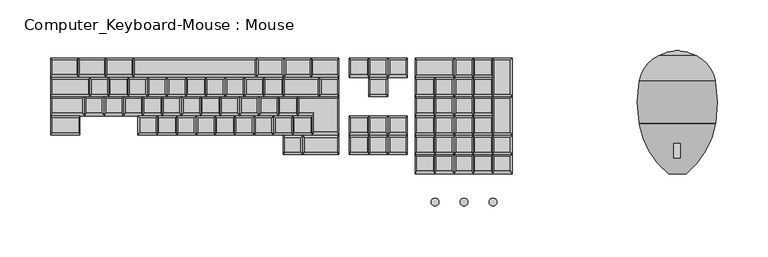
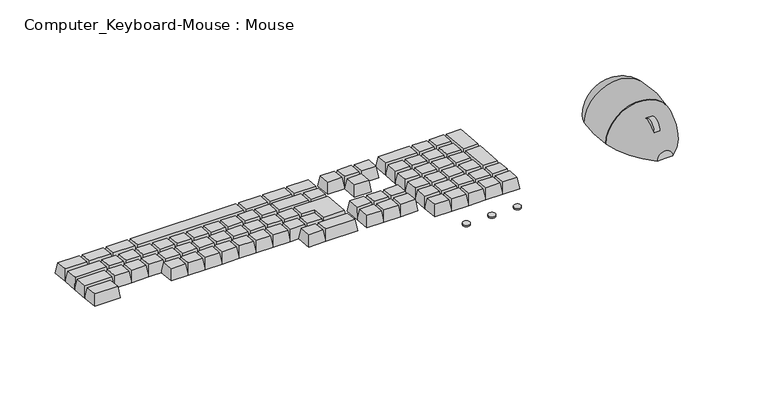
"""IFC4 building model written with IfcOpenShell, lengths in millimetres: proxy geometry, Computer_Keyboard-Mouse : Mouse."""

from ifc_helpers import new_model, si_unit, point, frame, frame_2d, origin, place, context, project, spatial, circle_curve, ellipse_curve, trimmed, segment, composite_curve, outline, extrude, faceted_brep, source, transform, mapped, element, save
from ifc_brep_helpers import plane_surface, cylinder_surface, revolved_surface, advanced_brep


def computer_keyboard_mouse_mouse_dbb45f80(model_context):
    return source(origin(), model_context, "Body", "SolidModel", [
        extrude(outline(composite_curve([segment(trimmed(circle_curve(frame_2d((212.4988718, 644.6717613)), 9.8184506), [point((202.6804212, 644.6717613))], [point((222.3173224, 644.6717613))], False, "CARTESIAN"), True, "CONTINUOUS"), segment(trimmed(circle_curve(frame_2d((212.4988718, 644.6717613)), 9.8184506), [point((222.3173224, 644.6717613))], [point((202.6804212, 644.6717613))], False, "CARTESIAN"), True, "CONTINUOUS")], self_intersect=False)), frame((272.25625, 0.0, 0.0), z_axis=(1.0, 0.0, 0.0), x_axis=(0.0, 1.0, 0.0)), (0.0, 0.0, 1.0), 6.35),
        advanced_brep(
        [(275.5976834, 187.126648, 622.3), (275.5976834, 308.6694444, 622.3), (293.9985704, 303.7389416, 622.3), (313.0285853, 278.5926629, 622.3), (313.1647909, 237.2808115, 622.3), (312.213601, 237.2808115, 622.3), (312.213601, 236.4708218, 622.3), (313.0285853, 236.4708218, 622.3), (284.2623719, 187.126648, 622.3), (266.9329949, 187.126648, 622.3), (238.1667815, 236.4708218, 622.3), (238.9817658, 236.4708218, 622.3), (238.9817658, 237.2808115, 622.3), (238.0305758, 237.2808115, 622.3), (238.1667815, 278.5926629, 622.3), (257.1967964, 303.7389416, 622.3)],
        [
            (0, 1),
            (1, 2, circle_curve(frame((271.496074, 256.5602558, 622.3), z_axis=(0.0, 0.0, -1.0), x_axis=(1.0, 0.0, 0.0)), 52.2703619)),
            (2, 3, circle_curve(frame((279.2400514, 272.7962623, 622.3), z_axis=(0.0, 0.0, -1.0), x_axis=(1.0, 0.0, 0.0)), 34.2821132)),
            (3, 4, circle_curve(frame((190.2597029, 257.5317424, 622.3), z_axis=(0.0, 0.0, -1.0), x_axis=(1.0, 0.0, 0.0)), 124.562277)),
            (4, 5),
            (5, 6),
            (6, 7),
            (7, 8, circle_curve(frame((232.6802808, 250.2545203, 622.3), z_axis=(0.0, 0.0, -1.0), x_axis=(1.0, 0.0, 0.0)), 81.5220239)),
            (8, 0),
            (0, 9),
            (9, 10, circle_curve(frame((318.515086, 250.2545203, 622.3), z_axis=(0.0, 0.0, -1.0), x_axis=(-1.0, 0.0, 0.0)), 81.5220239)),
            (10, 11),
            (11, 12),
            (12, 13),
            (13, 14, circle_curve(frame((360.9356639, 257.5317424, 622.3), z_axis=(0.0, 0.0, -1.0), x_axis=(-1.0, 0.0, 0.0)), 124.562277)),
            (14, 15, circle_curve(frame((271.9553154, 272.7962623, 622.3), z_axis=(0.0, 0.0, -1.0), x_axis=(-1.0, 0.0, 0.0)), 34.2821132)),
            (15, 1, circle_curve(frame((279.6992928, 256.5602558, 622.3), z_axis=(0.0, 0.0, -1.0), x_axis=(-1.0, 0.0, 0.0)), 52.2703619)),
            (8, 9, circle_curve(frame((275.5976834, 187.126648, 622.3), z_axis=(0.0, -1.0, 0.0), x_axis=(1.0, 0.0, 0.0)), 8.6646885)),
            (7, 10, circle_curve(frame((275.5976834, 236.4708218, 622.3), z_axis=(0.0, -1.0, 0.0), x_axis=(1.0, 0.0, 0.0)), 37.4309019)),
            (6, 11, circle_curve(frame((275.5976834, 236.4708218, 622.3), z_axis=(0.0, -1.0, 0.0), x_axis=(1.0, 0.0, 0.0)), 36.6159176)),
            (5, 12, circle_curve(frame((275.5976834, 237.2808115, 622.3), z_axis=(0.0, -1.0, 0.0), x_axis=(1.0, 0.0, 0.0)), 36.6159176)),
            (4, 13, circle_curve(frame((275.5976834, 237.2808115, 622.3), z_axis=(0.0, -1.0, 0.0), x_axis=(1.0, 0.0, 0.0)), 37.5671075)),
            (3, 14, circle_curve(frame((275.5976834, 278.5926629, 622.3), z_axis=(0.0, -1.0, 0.0), x_axis=(1.0, 0.0, 0.0)), 37.4309019)),
            (2, 15, circle_curve(frame((275.5976834, 303.7389416, 622.3), z_axis=(0.0, -1.0, 0.0), x_axis=(1.0, 0.0, 0.0)), 18.400887)),
        ],
        [
            plane_surface(frame((275.5976834, 187.126648, 622.3), z_axis=(0.0, 0.0, -1.0), x_axis=(1.0, 0.0, 0.0))),
            plane_surface(frame((275.5976834, 187.126648, 622.3), z_axis=(0.0, 0.0, -1.0), x_axis=(-1.0, 0.0, 0.0))),
            plane_surface(frame((275.5976834, 187.126648, 622.3), z_axis=(0.0, -1.0, 0.0), x_axis=(1.0, 0.0, 0.0))),
            revolved_surface(trimmed(ellipse_curve(frame((232.6802808, 250.2545203, 622.3), z_axis=(0.0, 0.0, -1.0), x_axis=(1.0, 0.0, 0.0)), 81.5220239, 81.5220239), [point((313.0285853, 236.4708218, 622.3))], [point((284.2623719, 187.126648, 622.3))], True, "CARTESIAN"), (275.5976834, 187.126648, 622.3), (0.0, -1.0, 0.0)),
            plane_surface(frame((275.5976834, 236.4708218, 622.3), z_axis=(0.0, 1.0, 0.0), x_axis=(1.0, 0.0, 0.0))),
            cylinder_surface(frame((275.5976834, 187.126648, 622.3), z_axis=(0.0, -1.0, 0.0), x_axis=(1.0, 0.0, 0.0)), 36.6159176),
            plane_surface(frame((275.5976834, 237.2808115, 622.3), z_axis=(0.0, -1.0, 0.0), x_axis=(1.0, 0.0, 0.0))),
            revolved_surface(trimmed(ellipse_curve(frame((190.2597029, 257.5317424, 622.3), z_axis=(0.0, 0.0, -1.0), x_axis=(1.0, 0.0, 0.0)), 124.562277, 124.562277), [point((313.0285853, 278.5926629, 622.3))], [point((313.1647909, 237.2808115, 622.3))], True, "CARTESIAN"), (275.5976834, 187.126648, 622.3), (0.0, -1.0, 0.0)),
            revolved_surface(trimmed(ellipse_curve(frame((279.2400514, 272.7962623, 622.3), z_axis=(0.0, 0.0, -1.0), x_axis=(1.0, 0.0, 0.0)), 34.2821132, 34.2821132), [point((293.9985704, 303.7389416, 622.3))], [point((313.0285853, 278.5926629, 622.3))], True, "CARTESIAN"), (275.5976834, 187.126648, 622.3), (0.0, -1.0, 0.0)),
            revolved_surface(trimmed(ellipse_curve(frame((271.496074, 256.5602558, 622.3), z_axis=(0.0, 0.0, -1.0), x_axis=(1.0, 0.0, 0.0)), 52.2703619, 52.2703619), [point((275.5976834, 308.6694444, 622.3))], [point((293.9985704, 303.7389416, 622.3))], True, "CARTESIAN"), (275.5976834, 187.126648, 622.3), (0.0, -1.0, 0.0)),
        ],
        [
            (0, [[1, 2, 3, 4, 5, 6, 7, 8, 9]]),
            (1, [[-1, 10, 11, 12, 13, 14, 15, 16, 17]]),
            (2, [[-10, -9, 18]]),
            (3, [[-11, -18, -8, 19]]),
            (4, [[-12, -19, -7, 20]]),
            (5, [[-13, -20, -6, 21]]),
            (6, [[-14, -21, -5, 22]]),
            (7, [[-15, -22, -4, 23]]),
            (8, [[-16, -23, -3, 24]]),
            (9, [[-17, -24, -2]]),
        ],
    ),
        extrude(outline(composite_curve([segment(trimmed(circle_curve(frame_2d((37.1569804, 159.4975836)), 3.8756585), [point((33.2813219, 159.4975836))], [point((41.032639, 159.4975836))], False, "CARTESIAN"), True, "CONTINUOUS"), segment(trimmed(circle_curve(frame_2d((37.1569804, 159.4975836)), 3.8756585), [point((41.032639, 159.4975836))], [point((33.2813219, 159.4975836))], False, "CARTESIAN"), True, "CONTINUOUS")], self_intersect=False)), frame((0.0, 0.0, 644.4834713), z_axis=(0.0, 0.0, 1.0), x_axis=(1.0, 0.0, 0.0)), (0.0, 0.0, 1.0), 1.5875),
        extrude(outline(composite_curve([segment(trimmed(circle_curve(frame_2d((65.7319804, 159.4975836)), 3.8756585), [point((61.8563219, 159.4975836))], [point((69.607639, 159.4975836))], False, "CARTESIAN"), True, "CONTINUOUS"), segment(trimmed(circle_curve(frame_2d((65.7319804, 159.4975836)), 3.8756585), [point((69.607639, 159.4975836))], [point((61.8563219, 159.4975836))], False, "CARTESIAN"), True, "CONTINUOUS")], self_intersect=False)), frame((0.0, 0.0, 644.4834713), z_axis=(0.0, 0.0, 1.0), x_axis=(1.0, 0.0, 0.0)), (0.0, 0.0, 1.0), 1.5875),
        extrude(outline(composite_curve([segment(trimmed(circle_curve(frame_2d((94.3069804, 159.4975836)), 3.8756585), [point((90.4313219, 159.4975836))], [point((98.182639, 159.4975836))], False, "CARTESIAN"), True, "CONTINUOUS"), segment(trimmed(circle_curve(frame_2d((94.3069804, 159.4975836)), 3.8756585), [point((98.182639, 159.4975836))], [point((90.4313219, 159.4975836))], False, "CARTESIAN"), True, "CONTINUOUS")], self_intersect=False)), frame((0.0, 0.0, 644.4834713), z_axis=(0.0, 0.0, 1.0), x_axis=(1.0, 0.0, 0.0)), (0.0, 0.0, 1.0), 1.5875),
        faceted_brep([(-140.1341471, 284.9893587, 647.5012993), (-140.1341471, 299.2224904, 646.2560617), (-258.2572246, 299.2224904, 646.2560617), (-258.2572246, 284.9893587, 647.5012993), (-138.4529456, 282.3010217, 634.9879864), (-259.854517, 282.3010217, 634.9879864), (-259.854517, 301.2785307, 633.3276695), (-138.4529456, 301.2785307, 633.3276695)], [[[0, 1, 2, 3]], [[4, 5, 6, 7]], [[4, 0, 3, 5]], [[5, 3, 2, 6]], [[6, 2, 1, 7]], [[7, 1, 0, 4]]]),
        faceted_brep([(-261.442017, 284.9893587, 647.5012993), (-261.442017, 299.2224904, 646.2560617), (-285.254517, 299.2224904, 646.2560617), (-285.254517, 284.9893587, 647.5012993), (-259.854517, 282.3010217, 634.9879864), (-286.8518093, 282.3010217, 634.9879864), (-286.8518093, 301.2785307, 633.3276695), (-259.854517, 301.2785307, 633.3276695)], [[[0, 1, 2, 3]], [[4, 5, 6, 7]], [[4, 0, 3, 5]], [[5, 3, 2, 6]], [[6, 2, 1, 7]], [[7, 1, 0, 4]]]),
        faceted_brep([(-288.4393093, 284.9893587, 647.5012993), (-288.4393093, 299.2224904, 646.2560617), (-312.2518093, 299.2224904, 646.2560617), (-312.2518093, 284.9893587, 647.5012993), (-286.8518093, 282.3010217, 634.9879864), (-313.8491017, 282.3010217, 634.9879864), (-313.8491017, 301.2785307, 633.3276695), (-286.8518093, 301.2785307, 633.3276695)], [[[0, 1, 2, 3]], [[4, 5, 6, 7]], [[4, 0, 3, 5]], [[5, 3, 2, 6]], [[6, 2, 1, 7]], [[7, 1, 0, 4]]]),
        faceted_brep([(-315.4366017, 284.9893587, 647.5012993), (-315.4366017, 299.2224904, 646.2560617), (-339.2491017, 299.2224904, 646.2560617), (-339.2491017, 284.9893587, 647.5012993), (-313.8491017, 282.3010217, 634.9879864), (-340.8463941, 282.3010217, 634.9879864), (-340.8463941, 301.2785307, 633.3276695), (-313.8491017, 301.2785307, 633.3276695)], [[[0, 1, 2, 3]], [[4, 5, 6, 7]], [[4, 0, 3, 5]], [[5, 3, 2, 6]], [[6, 2, 1, 7]], [[7, 1, 0, 4]]]),
        faceted_brep([(-113.0597288, 284.9893587, 647.5012993), (-113.0597288, 299.2224904, 646.2560617), (-136.8722288, 299.2224904, 646.2560617), (-136.8722288, 284.9893587, 647.5012993), (-111.4722288, 282.3010217, 634.9879864), (-138.4695212, 282.3010217, 634.9879864), (-138.4695212, 301.2785307, 633.3276695), (-111.4722288, 301.2785307, 633.3276695)], [[[0, 1, 2, 3]], [[4, 5, 6, 7]], [[4, 0, 3, 5]], [[5, 3, 2, 6]], [[6, 2, 1, 7]], [[7, 1, 0, 4]]]),
        faceted_brep([(-86.0624365, 284.9893587, 647.5012993), (-86.0624365, 299.2224904, 646.2560617), (-109.8749365, 299.2224904, 646.2560617), (-109.8749365, 284.9893587, 647.5012993), (-84.4749365, 282.3010217, 634.9879864), (-111.4722288, 282.3010217, 634.9879864), (-111.4722288, 301.2785307, 633.3276695), (-84.4749365, 301.2785307, 633.3276695)], [[[0, 1, 2, 3]], [[4, 5, 6, 7]], [[4, 0, 3, 5]], [[5, 3, 2, 6]], [[6, 2, 1, 7]], [[7, 1, 0, 4]]]),
        faceted_brep([(-59.0651441, 284.9893587, 647.5012993), (-59.0651441, 299.2224904, 646.2560617), (-82.8776441, 299.2224904, 646.2560617), (-82.8776441, 284.9893587, 647.5012993), (-57.4776441, 282.3010217, 634.9879864), (-84.4749365, 282.3010217, 634.9879864), (-84.4749365, 301.2785307, 633.3276695), (-57.4776441, 301.2785307, 633.3276695)], [[[0, 1, 2, 3]], [[4, 5, 6, 7]], [[4, 0, 3, 5]], [[5, 3, 2, 6]], [[6, 2, 1, 7]], [[7, 1, 0, 4]]]),
        faceted_brep([(111.4464125, 227.9780756, 652.4891403), (111.4464125, 261.3049084, 649.5734202), (95.5714125, 261.3049084, 649.5734202), (95.5714125, 227.9780756, 652.4891403), (113.0339125, 225.4059306, 639.9656619), (93.9839125, 225.4059306, 639.9656619), (93.9839125, 263.3609486, 636.6450281), (113.0339125, 263.3609486, 636.6450281)], [[[0, 1, 2, 3]], [[4, 5, 6, 7]], [[4, 0, 3, 5]], [[5, 3, 2, 6]], [[6, 2, 1, 7]], [[7, 1, 0, 4]]]),
        faceted_brep([(111.4464125, 265.9330936, 649.1685065), (111.4464125, 299.2599264, 646.2527864), (95.5714125, 299.2599264, 646.2527864), (95.5714125, 265.9330936, 649.1685065), (113.0339125, 263.3609486, 636.6450281), (93.9839125, 263.3609486, 636.6450281), (93.9839125, 301.3159666, 633.3243943), (113.0339125, 301.3159666, 633.3243943)], [[[0, 1, 2, 3]], [[4, 5, 6, 7]], [[4, 0, 3, 5]], [[5, 3, 2, 6]], [[6, 2, 1, 7]], [[7, 1, 0, 4]]]),
        faceted_brep([(92.3964125, 285.0267946, 647.4980241), (92.3964125, 299.2599264, 646.2527864), (76.5214125, 299.2599264, 646.2527864), (76.5214125, 285.0267946, 647.4980241), (93.9839125, 282.3384576, 634.9847112), (74.9339125, 282.3384576, 634.9847112), (74.9339125, 301.3159666, 633.3243943), (93.9839125, 301.3159666, 633.3243943)], [[[0, 1, 2, 3]], [[4, 5, 6, 7]], [[4, 0, 3, 5]], [[5, 3, 2, 6]], [[6, 2, 1, 7]], [[7, 1, 0, 4]]]),
        faceted_brep([(92.3964125, 266.0492856, 649.158341), (92.3964125, 280.2824174, 647.9131033), (76.5214125, 280.2824174, 647.9131033), (76.5214125, 266.0492856, 649.158341), (93.9839125, 263.3609486, 636.6450281), (74.9339125, 263.3609486, 636.6450281), (74.9339125, 282.3384576, 634.9847112), (93.9839125, 282.3384576, 634.9847112)], [[[0, 1, 2, 3]], [[4, 5, 6, 7]], [[4, 0, 3, 5]], [[5, 3, 2, 6]], [[6, 2, 1, 7]], [[7, 1, 0, 4]]]),
        faceted_brep([(73.3464125, 285.0267946, 647.4980241), (73.3464125, 299.2599264, 646.2527864), (57.4714125, 299.2599264, 646.2527864), (57.4714125, 285.0267946, 647.4980241), (74.9339125, 282.3384576, 634.9847112), (55.8839125, 282.3384576, 634.9847112), (55.8839125, 301.3159666, 633.3243943), (74.9339125, 301.3159666, 633.3243943)], [[[0, 1, 2, 3]], [[4, 5, 6, 7]], [[4, 0, 3, 5]], [[5, 3, 2, 6]], [[6, 2, 1, 7]], [[7, 1, 0, 4]]]),
        faceted_brep([(53.9897704, 285.0267946, 647.4980241), (53.9897704, 299.2599264, 646.2527864), (19.3714125, 299.2599264, 646.2527864), (19.3714125, 285.0267946, 647.4980241), (55.8839125, 282.3384576, 634.9847112), (17.7839125, 282.3384576, 634.9847112), (17.7839125, 301.3159666, 633.3243943), (55.8839125, 301.3159666, 633.3243943)], [[[0, 1, 2, 3]], [[4, 5, 6, 7]], [[4, 0, 3, 5]], [[5, 3, 2, 6]], [[6, 2, 1, 7]], [[7, 1, 0, 4]]]),
        faceted_brep([(73.3464125, 266.0492856, 649.158341), (73.3464125, 280.2824174, 647.9131033), (57.4714125, 280.2824174, 647.9131033), (57.4714125, 266.0492856, 649.158341), (74.9339125, 263.3609486, 636.6450281), (55.8839125, 263.3609486, 636.6450281), (55.8839125, 282.3384576, 634.9847112), (74.9339125, 282.3384576, 634.9847112)], [[[0, 1, 2, 3]], [[4, 5, 6, 7]], [[4, 0, 3, 5]], [[5, 3, 2, 6]], [[6, 2, 1, 7]], [[7, 1, 0, 4]]]),
        faceted_brep([(54.2964125, 266.0492856, 649.158341), (54.2964125, 280.2824174, 647.9131033), (38.4214125, 280.2824174, 647.9131033), (38.4214125, 266.0492856, 649.158341), (55.8839125, 263.3609486, 636.6450281), (36.8339125, 263.3609486, 636.6450281), (36.8339125, 282.3384576, 634.9847112), (55.8839125, 282.3384576, 634.9847112)], [[[0, 1, 2, 3]], [[4, 5, 6, 7]], [[4, 0, 3, 5]], [[5, 3, 2, 6]], [[6, 2, 1, 7]], [[7, 1, 0, 4]]]),
        faceted_brep([(35.2464125, 266.0492856, 649.158341), (35.2464125, 280.2824174, 647.9131033), (19.3714125, 280.2824174, 647.9131033), (19.3714125, 266.0492856, 649.158341), (36.8339125, 263.3609486, 636.6450281), (17.7839125, 263.3609486, 636.6450281), (17.7839125, 282.3384576, 634.9847112), (36.8339125, 282.3384576, 634.9847112)], [[[0, 1, 2, 3]], [[4, 5, 6, 7]], [[4, 0, 3, 5]], [[5, 3, 2, 6]], [[6, 2, 1, 7]], [[7, 1, 0, 4]]]),
        faceted_brep([(92.3964125, 247.0717766, 650.8186579), (92.3964125, 261.3049084, 649.5734202), (76.5214125, 261.3049084, 649.5734202), (76.5214125, 247.0717766, 650.8186579), (93.9839125, 244.3834396, 638.305345), (74.9339125, 244.3834396, 638.305345), (74.9339125, 263.3609486, 636.6450281), (93.9839125, 263.3609486, 636.6450281)], [[[0, 1, 2, 3]], [[4, 5, 6, 7]], [[4, 0, 3, 5]], [[5, 3, 2, 6]], [[6, 2, 1, 7]], [[7, 1, 0, 4]]]),
        faceted_brep([(92.3964125, 228.0942676, 652.4789748), (92.3964125, 242.3273994, 651.2337371), (76.5214125, 242.3273994, 651.2337371), (76.5214125, 228.0942676, 652.4789748), (93.9839125, 225.4059306, 639.9656619), (74.9339125, 225.4059306, 639.9656619), (74.9339125, 244.3834396, 638.305345), (93.9839125, 244.3834396, 638.305345)], [[[0, 1, 2, 3]], [[4, 5, 6, 7]], [[4, 0, 3, 5]], [[5, 3, 2, 6]], [[6, 2, 1, 7]], [[7, 1, 0, 4]]]),
        faceted_brep([(73.3464125, 247.0717766, 650.8186579), (73.3464125, 261.3049084, 649.5734202), (57.4714125, 261.3049084, 649.5734202), (57.4714125, 247.0717766, 650.8186579), (74.9339125, 244.3834396, 638.305345), (55.8839125, 244.3834396, 638.305345), (55.8839125, 263.3609486, 636.6450281), (74.9339125, 263.3609486, 636.6450281)], [[[0, 1, 2, 3]], [[4, 5, 6, 7]], [[4, 0, 3, 5]], [[5, 3, 2, 6]], [[6, 2, 1, 7]], [[7, 1, 0, 4]]]),
        faceted_brep([(54.2964125, 247.0717766, 650.8186579), (54.2964125, 261.3049084, 649.5734202), (38.4214125, 261.3049084, 649.5734202), (38.4214125, 247.0717766, 650.8186579), (55.8839125, 244.3834396, 638.305345), (36.8339125, 244.3834396, 638.305345), (36.8339125, 263.3609486, 636.6450281), (55.8839125, 263.3609486, 636.6450281)], [[[0, 1, 2, 3]], [[4, 5, 6, 7]], [[4, 0, 3, 5]], [[5, 3, 2, 6]], [[6, 2, 1, 7]], [[7, 1, 0, 4]]]),
        faceted_brep([(35.2464125, 247.0717766, 650.8186579), (35.2464125, 261.3049084, 649.5734202), (19.3714125, 261.3049084, 649.5734202), (19.3714125, 247.0717766, 650.8186579), (36.8339125, 244.3834396, 638.305345), (17.7839125, 244.3834396, 638.305345), (17.7839125, 263.3609486, 636.6450281), (36.8339125, 263.3609486, 636.6450281)], [[[0, 1, 2, 3]], [[4, 5, 6, 7]], [[4, 0, 3, 5]], [[5, 3, 2, 6]], [[6, 2, 1, 7]], [[7, 1, 0, 4]]]),
        faceted_brep([(73.3464125, 228.0942676, 652.4789748), (73.3464125, 242.3273994, 651.2337371), (57.4714125, 242.3273994, 651.2337371), (57.4714125, 228.0942676, 652.4789748), (74.9339125, 225.4059306, 639.9656619), (55.8839125, 225.4059306, 639.9656619), (55.8839125, 244.3834396, 638.305345), (74.9339125, 244.3834396, 638.305345)], [[[0, 1, 2, 3]], [[4, 5, 6, 7]], [[4, 0, 3, 5]], [[5, 3, 2, 6]], [[6, 2, 1, 7]], [[7, 1, 0, 4]]]),
        faceted_brep([(54.2964125, 228.0942676, 652.4789748), (54.2964125, 242.3273994, 651.2337371), (38.4214125, 242.3273994, 651.2337371), (38.4214125, 228.0942676, 652.4789748), (55.8839125, 225.4059306, 639.9656619), (36.8339125, 225.4059306, 639.9656619), (36.8339125, 244.3834396, 638.305345), (55.8839125, 244.3834396, 638.305345)], [[[0, 1, 2, 3]], [[4, 5, 6, 7]], [[4, 0, 3, 5]], [[5, 3, 2, 6]], [[6, 2, 1, 7]], [[7, 1, 0, 4]]]),
        faceted_brep([(35.2464125, 228.0942676, 652.4789748), (35.2464125, 242.3273994, 651.2337371), (19.3714125, 242.3273994, 651.2337371), (19.3714125, 228.0942676, 652.4789748), (36.8339125, 225.4059306, 639.9656619), (17.7839125, 225.4059306, 639.9656619), (17.7839125, 244.3834396, 638.305345), (36.8339125, 244.3834396, 638.305345)], [[[0, 1, 2, 3]], [[4, 5, 6, 7]], [[4, 0, 3, 5]], [[5, 3, 2, 6]], [[6, 2, 1, 7]], [[7, 1, 0, 4]]]),
        faceted_brep([(111.4464125, 208.9667211, 654.1524183), (111.4464125, 223.1998529, 652.9071806), (95.5714125, 223.1998529, 652.9071806), (95.5714125, 208.9667211, 654.1524183), (113.0339125, 206.2783841, 641.6391054), (93.9839125, 206.2783841, 641.6391054), (93.9839125, 225.2558931, 639.9787885), (113.0339125, 225.2558931, 639.9787885)], [[[0, 1, 2, 3]], [[4, 5, 6, 7]], [[4, 0, 3, 5]], [[5, 3, 2, 6]], [[6, 2, 1, 7]], [[7, 1, 0, 4]]]),
        faceted_brep([(92.3964125, 208.9667211, 654.1524183), (92.3964125, 223.1998529, 652.9071806), (76.5214125, 223.1998529, 652.9071806), (76.5214125, 208.9667211, 654.1524183), (93.9839125, 206.2783841, 641.6391054), (74.9339125, 206.2783841, 641.6391054), (74.9339125, 225.2558931, 639.9787885), (93.9839125, 225.2558931, 639.9787885)], [[[0, 1, 2, 3]], [[4, 5, 6, 7]], [[4, 0, 3, 5]], [[5, 3, 2, 6]], [[6, 2, 1, 7]], [[7, 1, 0, 4]]]),
        faceted_brep([(111.4464125, 189.9892121, 655.8127352), (111.4464125, 204.2223439, 654.5674975), (95.5714125, 204.2223439, 654.5674975), (95.5714125, 189.9892121, 655.8127352), (113.0339125, 187.3008751, 643.2994223), (93.9839125, 187.3008751, 643.2994223), (93.9839125, 206.2783841, 641.6391054), (113.0339125, 206.2783841, 641.6391054)], [[[0, 1, 2, 3]], [[4, 5, 6, 7]], [[4, 0, 3, 5]], [[5, 3, 2, 6]], [[6, 2, 1, 7]], [[7, 1, 0, 4]]]),
        faceted_brep([(92.3964125, 189.9892121, 655.8127352), (92.3964125, 204.2223439, 654.5674975), (76.5214125, 204.2223439, 654.5674975), (76.5214125, 189.9892121, 655.8127352), (93.9839125, 187.3008751, 643.2994223), (74.9339125, 187.3008751, 643.2994223), (74.9339125, 206.2783841, 641.6391054), (93.9839125, 206.2783841, 641.6391054)], [[[0, 1, 2, 3]], [[4, 5, 6, 7]], [[4, 0, 3, 5]], [[5, 3, 2, 6]], [[6, 2, 1, 7]], [[7, 1, 0, 4]]]),
        faceted_brep([(73.3464125, 208.9667211, 654.1524183), (73.3464125, 223.1998529, 652.9071806), (57.4714125, 223.1998529, 652.9071806), (57.4714125, 208.9667211, 654.1524183), (74.9339125, 206.2783841, 641.6391054), (55.8839125, 206.2783841, 641.6391054), (55.8839125, 225.2558931, 639.9787885), (74.9339125, 225.2558931, 639.9787885)], [[[0, 1, 2, 3]], [[4, 5, 6, 7]], [[4, 0, 3, 5]], [[5, 3, 2, 6]], [[6, 2, 1, 7]], [[7, 1, 0, 4]]]),
        faceted_brep([(54.2964125, 208.9667211, 654.1524183), (54.2964125, 223.1998529, 652.9071806), (38.4214125, 223.1998529, 652.9071806), (38.4214125, 208.9667211, 654.1524183), (55.8839125, 206.2783841, 641.6391054), (36.8339125, 206.2783841, 641.6391054), (36.8339125, 225.2558931, 639.9787885), (55.8839125, 225.2558931, 639.9787885)], [[[0, 1, 2, 3]], [[4, 5, 6, 7]], [[4, 0, 3, 5]], [[5, 3, 2, 6]], [[6, 2, 1, 7]], [[7, 1, 0, 4]]]),
        faceted_brep([(35.2464125, 208.9667211, 654.1524183), (35.2464125, 223.1998529, 652.9071806), (19.3714125, 223.1998529, 652.9071806), (19.3714125, 208.9667211, 654.1524183), (36.8339125, 206.2783841, 641.6391054), (17.7839125, 206.2783841, 641.6391054), (17.7839125, 225.2558931, 639.9787885), (36.8339125, 225.2558931, 639.9787885)], [[[0, 1, 2, 3]], [[4, 5, 6, 7]], [[4, 0, 3, 5]], [[5, 3, 2, 6]], [[6, 2, 1, 7]], [[7, 1, 0, 4]]]),
        faceted_brep([(73.3464125, 189.9892121, 655.8127352), (73.3464125, 204.2223439, 654.5674975), (57.4714125, 204.2223439, 654.5674975), (57.4714125, 189.9892121, 655.8127352), (74.9339125, 187.3008751, 643.2994223), (55.8839125, 187.3008751, 643.2994223), (55.8839125, 206.2783841, 641.6391054), (74.9339125, 206.2783841, 641.6391054)], [[[0, 1, 2, 3]], [[4, 5, 6, 7]], [[4, 0, 3, 5]], [[5, 3, 2, 6]], [[6, 2, 1, 7]], [[7, 1, 0, 4]]]),
        faceted_brep([(54.2964125, 189.9892121, 655.8127352), (54.2964125, 204.2223439, 654.5674975), (38.4214125, 204.2223439, 654.5674975), (38.4214125, 189.9892121, 655.8127352), (55.8839125, 187.3008751, 643.2994223), (36.8339125, 187.3008751, 643.2994223), (36.8339125, 206.2783841, 641.6391054), (55.8839125, 206.2783841, 641.6391054)], [[[0, 1, 2, 3]], [[4, 5, 6, 7]], [[4, 0, 3, 5]], [[5, 3, 2, 6]], [[6, 2, 1, 7]], [[7, 1, 0, 4]]]),
        faceted_brep([(35.2464125, 189.9892121, 655.8127352), (35.2464125, 204.2223439, 654.5674975), (19.3714125, 204.2223439, 654.5674975), (19.3714125, 189.9892121, 655.8127352), (36.8339125, 187.3008751, 643.2994223), (17.7839125, 187.3008751, 643.2994223), (17.7839125, 206.2783841, 641.6391054), (36.8339125, 206.2783841, 641.6391054)], [[[0, 1, 2, 3]], [[4, 5, 6, 7]], [[4, 0, 3, 5]], [[5, 3, 2, 6]], [[6, 2, 1, 7]], [[7, 1, 0, 4]]]),
        faceted_brep([(-10.686281, 265.9785265, 649.1645316), (-10.686281, 280.2116583, 647.9192939), (-26.561281, 280.2116583, 647.9192939), (-26.561281, 265.9785265, 649.1645316), (-9.098781, 263.2901895, 636.6512187), (-28.148781, 263.2901895, 636.6512187), (-28.148781, 282.2676985, 634.9909018), (-9.098781, 282.2676985, 634.9909018)], [[[0, 1, 2, 3]], [[4, 5, 6, 7]], [[4, 0, 3, 5]], [[5, 3, 2, 6]], [[6, 2, 1, 7]], [[7, 1, 0, 4]]]),
        faceted_brep([(8.363719, 284.9560355, 647.5042147), (8.363719, 299.1891673, 646.258977), (-7.511281, 299.1891673, 646.258977), (-7.511281, 284.9560355, 647.5042147), (9.951219, 282.2676985, 634.9909018), (-9.098781, 282.2676985, 634.9909018), (-9.098781, 301.2452075, 633.3305849), (9.951219, 301.2452075, 633.3305849)], [[[0, 1, 2, 3]], [[4, 5, 6, 7]], [[4, 0, 3, 5]], [[5, 3, 2, 6]], [[6, 2, 1, 7]], [[7, 1, 0, 4]]]),
        faceted_brep([(-10.686281, 284.9560355, 647.5042147), (-10.686281, 299.1891673, 646.258977), (-26.561281, 299.1891673, 646.258977), (-26.561281, 284.9560355, 647.5042147), (-9.098781, 282.2676985, 634.9909018), (-28.148781, 282.2676985, 634.9909018), (-28.148781, 301.2452075, 633.3305849), (-9.098781, 301.2452075, 633.3305849)], [[[0, 1, 2, 3]], [[4, 5, 6, 7]], [[4, 0, 3, 5]], [[5, 3, 2, 6]], [[6, 2, 1, 7]], [[7, 1, 0, 4]]]),
        faceted_brep([(-29.736281, 284.9560355, 647.5042147), (-29.736281, 299.1891673, 646.258977), (-45.611281, 299.1891673, 646.258977), (-45.611281, 284.9560355, 647.5042147), (-28.148781, 282.2676985, 634.9909018), (-47.198781, 282.2676985, 634.9909018), (-47.198781, 301.2452075, 633.3305849), (-28.148781, 301.2452075, 633.3305849)], [[[0, 1, 2, 3]], [[4, 5, 6, 7]], [[4, 0, 3, 5]], [[5, 3, 2, 6]], [[6, 2, 1, 7]], [[7, 1, 0, 4]]]),
        faceted_brep([(8.363719, 227.9246674, 652.4938129), (8.363719, 242.1577991, 651.2485752), (-7.511281, 242.1577991, 651.2485752), (-7.511281, 227.9246674, 652.4938129), (9.951219, 225.2363303, 639.9805), (-9.098781, 225.2363303, 639.9805), (-9.098781, 244.2138393, 638.3201831), (9.951219, 244.2138393, 638.3201831)], [[[0, 1, 2, 3]], [[4, 5, 6, 7]], [[4, 0, 3, 5]], [[5, 3, 2, 6]], [[6, 2, 1, 7]], [[7, 1, 0, 4]]]),
        faceted_brep([(-10.686281, 227.9246674, 652.4938129), (-10.686281, 242.1577991, 651.2485752), (-26.561281, 242.1577991, 651.2485752), (-26.561281, 227.9246674, 652.4938129), (-9.098781, 225.2363303, 639.9805), (-28.148781, 225.2363303, 639.9805), (-28.148781, 244.2138393, 638.3201831), (-9.098781, 244.2138393, 638.3201831)], [[[0, 1, 2, 3]], [[4, 5, 6, 7]], [[4, 0, 3, 5]], [[5, 3, 2, 6]], [[6, 2, 1, 7]], [[7, 1, 0, 4]]]),
        faceted_brep([(-29.736281, 227.9246674, 652.4938129), (-29.736281, 242.1577991, 651.2485752), (-45.611281, 242.1577991, 651.2485752), (-45.611281, 227.9246674, 652.4938129), (-28.148781, 225.2363303, 639.9805), (-47.198781, 225.2363303, 639.9805), (-47.198781, 244.2138393, 638.3201831), (-28.148781, 244.2138393, 638.3201831)], [[[0, 1, 2, 3]], [[4, 5, 6, 7]], [[4, 0, 3, 5]], [[5, 3, 2, 6]], [[6, 2, 1, 7]], [[7, 1, 0, 4]]]),
        faceted_brep([(8.363719, 208.9471584, 654.1541298), (8.363719, 223.1802901, 652.9088921), (-7.511281, 223.1802901, 652.9088921), (-7.511281, 208.9471584, 654.1541298), (9.951219, 206.2588213, 641.6408169), (-9.098781, 206.2588213, 641.6408169), (-9.098781, 225.2363303, 639.9805), (9.951219, 225.2363303, 639.9805)], [[[0, 1, 2, 3]], [[4, 5, 6, 7]], [[4, 0, 3, 5]], [[5, 3, 2, 6]], [[6, 2, 1, 7]], [[7, 1, 0, 4]]]),
        faceted_brep([(-10.686281, 208.9471584, 654.1541298), (-10.686281, 223.1802901, 652.9088921), (-26.561281, 223.1802901, 652.9088921), (-26.561281, 208.9471584, 654.1541298), (-9.098781, 206.2588213, 641.6408169), (-28.148781, 206.2588213, 641.6408169), (-28.148781, 225.2363303, 639.9805), (-9.098781, 225.2363303, 639.9805)], [[[0, 1, 2, 3]], [[4, 5, 6, 7]], [[4, 0, 3, 5]], [[5, 3, 2, 6]], [[6, 2, 1, 7]], [[7, 1, 0, 4]]]),
        faceted_brep([(-29.736281, 208.9471584, 654.1541298), (-29.736281, 223.1802901, 652.9088921), (-45.611281, 223.1802901, 652.9088921), (-45.611281, 208.9471584, 654.1541298), (-28.148781, 206.2588213, 641.6408169), (-47.198781, 206.2588213, 641.6408169), (-47.198781, 225.2363303, 639.9805), (-28.148781, 225.2363303, 639.9805)], [[[0, 1, 2, 3]], [[4, 5, 6, 7]], [[4, 0, 3, 5]], [[5, 3, 2, 6]], [[6, 2, 1, 7]], [[7, 1, 0, 4]]]),
        faceted_brep([(-59.0651441, 266.0118497, 649.1616162), (-59.0651441, 280.2449814, 647.9163786), (-74.9401441, 280.2449814, 647.9163786), (-74.9401441, 266.0118497, 649.1616162), (-57.4776441, 263.3235127, 636.6483033), (-76.5276441, 263.3235127, 636.6483033), (-76.5276441, 282.3010217, 634.9879864), (-57.4776441, 282.3010217, 634.9879864)], [[[0, 1, 2, 3]], [[4, 5, 6, 7]], [[4, 0, 3, 5]], [[5, 3, 2, 6]], [[6, 2, 1, 7]], [[7, 1, 0, 4]]]),
        faceted_brep([(-59.0651441, 209.0793227, 654.1425669), (-59.0651441, 223.3124544, 652.8973293), (-91.6088941, 223.3124544, 652.8973293), (-91.6088941, 209.0793227, 654.1425669), (-57.4776441, 206.3909857, 641.629254), (-93.1963941, 206.3909857, 641.629254), (-93.1963941, 225.3684947, 639.9689371), (-57.4776441, 225.3684947, 639.9689371)], [[[0, 1, 2, 3]], [[4, 5, 6, 7]], [[4, 0, 3, 5]], [[5, 3, 2, 6]], [[6, 2, 1, 7]], [[7, 1, 0, 4]]]),
        faceted_brep([(-94.7838941, 209.0793227, 654.1425669), (-94.7838941, 223.3124544, 652.8973293), (-110.6588941, 223.3124544, 652.8973293), (-110.6588941, 209.0793227, 654.1425669), (-93.1963941, 206.3909857, 641.629254), (-112.2463941, 206.3909857, 641.629254), (-112.2463941, 225.3684947, 639.9689371), (-93.1963941, 225.3684947, 639.9689371)], [[[0, 1, 2, 3]], [[4, 5, 6, 7]], [[4, 0, 3, 5]], [[5, 3, 2, 6]], [[6, 2, 1, 7]], [[7, 1, 0, 4]]]),
        faceted_brep([(-82.1635888, 247.0343407, 650.8219331), (-82.1635888, 229.278272, 652.3753878), (-59.0779456, 229.278272, 652.3753878), (-59.0779456, 261.2674724, 649.5766955), (-96.3841956, 261.2674724, 649.5766955), (-96.3841956, 247.0343407, 650.8219331), (-83.6713941, 244.3460037, 638.3086202), (-97.9716956, 244.3460037, 638.3086202), (-97.9716956, 263.3235127, 636.6483033), (-57.4776441, 263.3235127, 636.6483033), (-57.4776441, 225.3684947, 639.9689371), (-83.6713941, 225.3684947, 639.9689371)], [[[0, 1, 2, 3, 4, 5]], [[6, 7, 8, 9, 10, 11]], [[6, 0, 5, 7]], [[7, 5, 4, 8]], [[8, 4, 3, 9]], [[9, 3, 2, 10]], [[10, 2, 1, 11]], [[11, 1, 0, 6]]]),
        faceted_brep([(-78.2002042, 266.0118497, 649.1616162), (-78.2002042, 280.2449814, 647.9163786), (-110.6716956, 280.2449814, 647.9163786), (-110.6716956, 266.0118497, 649.1616162), (-76.5276441, 263.3235127, 636.6483033), (-112.2591956, 263.3235127, 636.6483033), (-112.2591956, 282.3010217, 634.9879864), (-76.5276441, 282.3010217, 634.9879864)], [[[0, 1, 2, 3]], [[4, 5, 6, 7]], [[4, 0, 3, 5]], [[5, 3, 2, 6]], [[6, 2, 1, 7]], [[7, 1, 0, 4]]]),
        faceted_brep([(-304.1779375, 266.0118497, 649.1616162), (-304.1779375, 280.2449814, 647.9163786), (-339.2588941, 280.2449814, 647.9163786), (-339.2588941, 266.0118497, 649.1616162), (-302.7463941, 263.3235127, 636.6483033), (-340.8463941, 263.3235127, 636.6483033), (-340.8463941, 282.3010217, 634.9879864), (-302.7463941, 282.3010217, 634.9879864)], [[[0, 1, 2, 3]], [[4, 5, 6, 7]], [[4, 0, 3, 5]], [[5, 3, 2, 6]], [[6, 2, 1, 7]], [[7, 1, 0, 4]]]),
        faceted_brep([(-309.2169816, 247.0343407, 650.8219331), (-309.2169816, 261.2674724, 649.5766955), (-339.2588941, 261.2674724, 649.5766955), (-339.2588941, 247.0343407, 650.8219331), (-307.581764, 244.3460037, 638.3086202), (-340.8463941, 244.3460037, 638.3086202), (-340.8463941, 263.3235127, 636.6483033), (-307.581764, 263.3235127, 636.6483033)], [[[0, 1, 2, 3]], [[4, 5, 6, 7]], [[4, 0, 3, 5]], [[5, 3, 2, 6]], [[6, 2, 1, 7]], [[7, 1, 0, 4]]]),
        faceted_brep([(-313.5827231, 228.0568317, 652.48225), (-313.5827231, 242.2899634, 651.2370124), (-339.2588941, 242.2899634, 651.2370124), (-339.2588941, 228.0568317, 652.48225), (-312.2713941, 225.3684947, 639.9689371), (-340.8463941, 225.3684947, 639.9689371), (-340.8463941, 244.3460037, 638.3086202), (-312.2713941, 244.3460037, 638.3086202)], [[[0, 1, 2, 3]], [[4, 5, 6, 7]], [[4, 0, 3, 5]], [[5, 3, 2, 6]], [[6, 2, 1, 7]], [[7, 1, 0, 4]]]),
        faceted_brep([(-113.8466956, 266.0118497, 649.1616162), (-113.8466956, 280.2449814, 647.9163786), (-129.7216956, 280.2449814, 647.9163786), (-129.7216956, 266.0118497, 649.1616162), (-112.2591956, 263.3235127, 636.6483033), (-131.3091956, 263.3235127, 636.6483033), (-131.3091956, 282.3010217, 634.9879864), (-112.2591956, 282.3010217, 634.9879864)], [[[0, 1, 2, 3]], [[4, 5, 6, 7]], [[4, 0, 3, 5]], [[5, 3, 2, 6]], [[6, 2, 1, 7]], [[7, 1, 0, 4]]]),
        faceted_brep([(-132.8966956, 266.0118497, 649.1616162), (-132.8966956, 280.2449814, 647.9163786), (-148.7716956, 280.2449814, 647.9163786), (-148.7716956, 266.0118497, 649.1616162), (-131.3091956, 263.3235127, 636.6483033), (-150.3591956, 263.3235127, 636.6483033), (-150.3591956, 282.3010217, 634.9879864), (-131.3091956, 282.3010217, 634.9879864)], [[[0, 1, 2, 3]], [[4, 5, 6, 7]], [[4, 0, 3, 5]], [[5, 3, 2, 6]], [[6, 2, 1, 7]], [[7, 1, 0, 4]]]),
        faceted_brep([(-151.9466956, 266.0118497, 649.1616162), (-151.9466956, 280.2449814, 647.9163786), (-167.8216956, 280.2449814, 647.9163786), (-167.8216956, 266.0118497, 649.1616162), (-150.3591956, 263.3235127, 636.6483033), (-169.4091956, 263.3235127, 636.6483033), (-169.4091956, 282.3010217, 634.9879864), (-150.3591956, 282.3010217, 634.9879864)], [[[0, 1, 2, 3]], [[4, 5, 6, 7]], [[4, 0, 3, 5]], [[5, 3, 2, 6]], [[6, 2, 1, 7]], [[7, 1, 0, 4]]]),
        faceted_brep([(-170.9966956, 266.0118497, 649.1616162), (-170.9966956, 280.2449814, 647.9163786), (-186.8716956, 280.2449814, 647.9163786), (-186.8716956, 266.0118497, 649.1616162), (-169.4091956, 263.3235127, 636.6483033), (-188.4591956, 263.3235127, 636.6483033), (-188.4591956, 282.3010217, 634.9879864), (-169.4091956, 282.3010217, 634.9879864)], [[[0, 1, 2, 3]], [[4, 5, 6, 7]], [[4, 0, 3, 5]], [[5, 3, 2, 6]], [[6, 2, 1, 7]], [[7, 1, 0, 4]]]),
        faceted_brep([(-190.0466956, 266.0118497, 649.1616162), (-190.0466956, 280.2449814, 647.9163786), (-205.9216956, 280.2449814, 647.9163786), (-205.9216956, 266.0118497, 649.1616162), (-188.4591956, 263.3235127, 636.6483033), (-207.5091956, 263.3235127, 636.6483033), (-207.5091956, 282.3010217, 634.9879864), (-188.4591956, 282.3010217, 634.9879864)], [[[0, 1, 2, 3]], [[4, 5, 6, 7]], [[4, 0, 3, 5]], [[5, 3, 2, 6]], [[6, 2, 1, 7]], [[7, 1, 0, 4]]]),
        faceted_brep([(-209.0966956, 266.0118497, 649.1616162), (-209.0966956, 280.2449814, 647.9163786), (-224.9716956, 280.2449814, 647.9163786), (-224.9716956, 266.0118497, 649.1616162), (-207.5091956, 263.3235127, 636.6483033), (-226.5591956, 263.3235127, 636.6483033), (-226.5591956, 282.3010217, 634.9879864), (-207.5091956, 282.3010217, 634.9879864)], [[[0, 1, 2, 3]], [[4, 5, 6, 7]], [[4, 0, 3, 5]], [[5, 3, 2, 6]], [[6, 2, 1, 7]], [[7, 1, 0, 4]]]),
        faceted_brep([(-228.1466956, 266.0118497, 649.1616162), (-228.1466956, 280.2449814, 647.9163786), (-244.0216956, 280.2449814, 647.9163786), (-244.0216956, 266.0118497, 649.1616162), (-226.5591956, 263.3235127, 636.6483033), (-245.6091956, 263.3235127, 636.6483033), (-245.6091956, 282.3010217, 634.9879864), (-226.5591956, 282.3010217, 634.9879864)], [[[0, 1, 2, 3]], [[4, 5, 6, 7]], [[4, 0, 3, 5]], [[5, 3, 2, 6]], [[6, 2, 1, 7]], [[7, 1, 0, 4]]]),
        faceted_brep([(-247.1966956, 266.0118497, 649.1616162), (-247.1966956, 280.2449814, 647.9163786), (-263.0716956, 280.2449814, 647.9163786), (-263.0716956, 266.0118497, 649.1616162), (-245.6091956, 263.3235127, 636.6483033), (-264.6591956, 263.3235127, 636.6483033), (-264.6591956, 282.3010217, 634.9879864), (-245.6091956, 282.3010217, 634.9879864)], [[[0, 1, 2, 3]], [[4, 5, 6, 7]], [[4, 0, 3, 5]], [[5, 3, 2, 6]], [[6, 2, 1, 7]], [[7, 1, 0, 4]]]),
        faceted_brep([(-266.2466956, 266.0118497, 649.1616162), (-266.2466956, 280.2449814, 647.9163786), (-282.1216956, 280.2449814, 647.9163786), (-282.1216956, 266.0118497, 649.1616162), (-264.6591956, 263.3235127, 636.6483033), (-283.7091956, 263.3235127, 636.6483033), (-283.7091956, 282.3010217, 634.9879864), (-264.6591956, 282.3010217, 634.9879864)], [[[0, 1, 2, 3]], [[4, 5, 6, 7]], [[4, 0, 3, 5]], [[5, 3, 2, 6]], [[6, 2, 1, 7]], [[7, 1, 0, 4]]]),
        faceted_brep([(-285.2966956, 266.0118497, 649.1616162), (-285.2966956, 280.2449814, 647.9163786), (-301.1716956, 280.2449814, 647.9163786), (-301.1716956, 266.0118497, 649.1616162), (-283.7091956, 263.3235127, 636.6483033), (-302.7591956, 263.3235127, 636.6483033), (-302.7591956, 282.3010217, 634.9879864), (-283.7091956, 282.3010217, 634.9879864)], [[[0, 1, 2, 3]], [[4, 5, 6, 7]], [[4, 0, 3, 5]], [[5, 3, 2, 6]], [[6, 2, 1, 7]], [[7, 1, 0, 4]]]),
        faceted_brep([(-99.5591956, 247.0343407, 650.8219331), (-99.5591956, 261.2674724, 649.5766955), (-115.4341956, 261.2674724, 649.5766955), (-115.4341956, 247.0343407, 650.8219331), (-97.9716956, 244.3460037, 638.3086202), (-117.0216956, 244.3460037, 638.3086202), (-117.0216956, 263.3235127, 636.6483033), (-97.9716956, 263.3235127, 636.6483033)], [[[0, 1, 2, 3]], [[4, 5, 6, 7]], [[4, 0, 3, 5]], [[5, 3, 2, 6]], [[6, 2, 1, 7]], [[7, 1, 0, 4]]]),
        faceted_brep([(-118.6091956, 247.0343407, 650.8219331), (-118.6091956, 261.2674724, 649.5766955), (-134.4841956, 261.2674724, 649.5766955), (-134.4841956, 247.0343407, 650.8219331), (-117.0216956, 244.3460037, 638.3086202), (-136.0716956, 244.3460037, 638.3086202), (-136.0716956, 263.3235127, 636.6483033), (-117.0216956, 263.3235127, 636.6483033)], [[[0, 1, 2, 3]], [[4, 5, 6, 7]], [[4, 0, 3, 5]], [[5, 3, 2, 6]], [[6, 2, 1, 7]], [[7, 1, 0, 4]]]),
        faceted_brep([(-137.6591956, 247.0343407, 650.8219331), (-137.6591956, 261.2674724, 649.5766955), (-153.5341956, 261.2674724, 649.5766955), (-153.5341956, 247.0343407, 650.8219331), (-136.0716956, 244.3460037, 638.3086202), (-155.1216956, 244.3460037, 638.3086202), (-155.1216956, 263.3235127, 636.6483033), (-136.0716956, 263.3235127, 636.6483033)], [[[0, 1, 2, 3]], [[4, 5, 6, 7]], [[4, 0, 3, 5]], [[5, 3, 2, 6]], [[6, 2, 1, 7]], [[7, 1, 0, 4]]]),
        faceted_brep([(-156.7091956, 247.0343407, 650.8219331), (-156.7091956, 261.2674724, 649.5766955), (-172.5841956, 261.2674724, 649.5766955), (-172.5841956, 247.0343407, 650.8219331), (-155.1216956, 244.3460037, 638.3086202), (-174.1716956, 244.3460037, 638.3086202), (-174.1716956, 263.3235127, 636.6483033), (-155.1216956, 263.3235127, 636.6483033)], [[[0, 1, 2, 3]], [[4, 5, 6, 7]], [[4, 0, 3, 5]], [[5, 3, 2, 6]], [[6, 2, 1, 7]], [[7, 1, 0, 4]]]),
        faceted_brep([(-175.7591956, 247.0343407, 650.8219331), (-175.7591956, 261.2674724, 649.5766955), (-191.6341956, 261.2674724, 649.5766955), (-191.6341956, 247.0343407, 650.8219331), (-174.1716956, 244.3460037, 638.3086202), (-193.2216956, 244.3460037, 638.3086202), (-193.2216956, 263.3235127, 636.6483033), (-174.1716956, 263.3235127, 636.6483033)], [[[0, 1, 2, 3]], [[4, 5, 6, 7]], [[4, 0, 3, 5]], [[5, 3, 2, 6]], [[6, 2, 1, 7]], [[7, 1, 0, 4]]]),
        faceted_brep([(-194.8091956, 247.0343407, 650.8219331), (-194.8091956, 261.2674724, 649.5766955), (-210.6841956, 261.2674724, 649.5766955), (-210.6841956, 247.0343407, 650.8219331), (-193.2216956, 244.3460037, 638.3086202), (-212.2716956, 244.3460037, 638.3086202), (-212.2716956, 263.3235127, 636.6483033), (-193.2216956, 263.3235127, 636.6483033)], [[[0, 1, 2, 3]], [[4, 5, 6, 7]], [[4, 0, 3, 5]], [[5, 3, 2, 6]], [[6, 2, 1, 7]], [[7, 1, 0, 4]]]),
        faceted_brep([(-213.8591956, 247.0343407, 650.8219331), (-213.8591956, 261.2674724, 649.5766955), (-229.7341956, 261.2674724, 649.5766955), (-229.7341956, 247.0343407, 650.8219331), (-212.2716956, 244.3460037, 638.3086202), (-231.3216956, 244.3460037, 638.3086202), (-231.3216956, 263.3235127, 636.6483033), (-212.2716956, 263.3235127, 636.6483033)], [[[0, 1, 2, 3]], [[4, 5, 6, 7]], [[4, 0, 3, 5]], [[5, 3, 2, 6]], [[6, 2, 1, 7]], [[7, 1, 0, 4]]]),
        faceted_brep([(-232.9091956, 247.0343407, 650.8219331), (-232.9091956, 261.2674724, 649.5766955), (-248.7841956, 261.2674724, 649.5766955), (-248.7841956, 247.0343407, 650.8219331), (-231.3216956, 244.3460037, 638.3086202), (-250.3716956, 244.3460037, 638.3086202), (-250.3716956, 263.3235127, 636.6483033), (-231.3216956, 263.3235127, 636.6483033)], [[[0, 1, 2, 3]], [[4, 5, 6, 7]], [[4, 0, 3, 5]], [[5, 3, 2, 6]], [[6, 2, 1, 7]], [[7, 1, 0, 4]]]),
        faceted_brep([(-251.9591956, 247.0343407, 650.8219331), (-251.9591956, 261.2674724, 649.5766955), (-267.8341956, 261.2674724, 649.5766955), (-267.8341956, 247.0343407, 650.8219331), (-250.3716956, 244.3460037, 638.3086202), (-269.4216956, 244.3460037, 638.3086202), (-269.4216956, 263.3235127, 636.6483033), (-250.3716956, 263.3235127, 636.6483033)], [[[0, 1, 2, 3]], [[4, 5, 6, 7]], [[4, 0, 3, 5]], [[5, 3, 2, 6]], [[6, 2, 1, 7]], [[7, 1, 0, 4]]]),
        faceted_brep([(-271.0091956, 247.0343407, 650.8219331), (-271.0091956, 261.2674724, 649.5766955), (-286.8841956, 261.2674724, 649.5766955), (-286.8841956, 247.0343407, 650.8219331), (-269.4216956, 244.3460037, 638.3086202), (-288.4716956, 244.3460037, 638.3086202), (-288.4716956, 263.3235127, 636.6483033), (-269.4216956, 263.3235127, 636.6483033)], [[[0, 1, 2, 3]], [[4, 5, 6, 7]], [[4, 0, 3, 5]], [[5, 3, 2, 6]], [[6, 2, 1, 7]], [[7, 1, 0, 4]]]),
        faceted_brep([(-290.0591956, 247.0343407, 650.8219331), (-290.0591956, 261.2674724, 649.5766955), (-305.9341956, 261.2674724, 649.5766955), (-305.9341956, 247.0343407, 650.8219331), (-288.4716956, 244.3460037, 638.3086202), (-307.5216956, 244.3460037, 638.3086202), (-307.5216956, 263.3235127, 636.6483033), (-288.4716956, 263.3235127, 636.6483033)], [[[0, 1, 2, 3]], [[4, 5, 6, 7]], [[4, 0, 3, 5]], [[5, 3, 2, 6]], [[6, 2, 1, 7]], [[7, 1, 0, 4]]]),
        faceted_brep([(-85.2588941, 228.0568317, 652.48225), (-85.2588941, 242.2899634, 651.2370124), (-101.1338941, 242.2899634, 651.2370124), (-101.1338941, 228.0568317, 652.48225), (-83.6713941, 225.3684947, 639.9689371), (-102.7213941, 225.3684947, 639.9689371), (-102.7213941, 244.3460037, 638.3086202), (-83.6713941, 244.3460037, 638.3086202)], [[[0, 1, 2, 3]], [[4, 5, 6, 7]], [[4, 0, 3, 5]], [[5, 3, 2, 6]], [[6, 2, 1, 7]], [[7, 1, 0, 4]]]),
        faceted_brep([(-104.3088941, 228.0568317, 652.48225), (-104.3088941, 242.2899634, 651.2370124), (-120.1838941, 242.2899634, 651.2370124), (-120.1838941, 228.0568317, 652.48225), (-102.7213941, 225.3684947, 639.9689371), (-121.7713941, 225.3684947, 639.9689371), (-121.7713941, 244.3460037, 638.3086202), (-102.7213941, 244.3460037, 638.3086202)], [[[0, 1, 2, 3]], [[4, 5, 6, 7]], [[4, 0, 3, 5]], [[5, 3, 2, 6]], [[6, 2, 1, 7]], [[7, 1, 0, 4]]]),
        faceted_brep([(-123.3588941, 228.0568317, 652.48225), (-123.3588941, 242.2899634, 651.2370124), (-139.2338941, 242.2899634, 651.2370124), (-139.2338941, 228.0568317, 652.48225), (-121.7713941, 225.3684947, 639.9689371), (-140.8213941, 225.3684947, 639.9689371), (-140.8213941, 244.3460037, 638.3086202), (-121.7713941, 244.3460037, 638.3086202)], [[[0, 1, 2, 3]], [[4, 5, 6, 7]], [[4, 0, 3, 5]], [[5, 3, 2, 6]], [[6, 2, 1, 7]], [[7, 1, 0, 4]]]),
        faceted_brep([(-142.4088941, 228.0568317, 652.48225), (-142.4088941, 242.2899634, 651.2370124), (-158.2838941, 242.2899634, 651.2370124), (-158.2838941, 228.0568317, 652.48225), (-140.8213941, 225.3684947, 639.9689371), (-159.8713941, 225.3684947, 639.9689371), (-159.8713941, 244.3460037, 638.3086202), (-140.8213941, 244.3460037, 638.3086202)], [[[0, 1, 2, 3]], [[4, 5, 6, 7]], [[4, 0, 3, 5]], [[5, 3, 2, 6]], [[6, 2, 1, 7]], [[7, 1, 0, 4]]]),
        faceted_brep([(-161.4588941, 228.0568317, 652.48225), (-161.4588941, 242.2899634, 651.2370124), (-177.3338941, 242.2899634, 651.2370124), (-177.3338941, 228.0568317, 652.48225), (-159.8713941, 225.3684947, 639.9689371), (-178.9213941, 225.3684947, 639.9689371), (-178.9213941, 244.3460037, 638.3086202), (-159.8713941, 244.3460037, 638.3086202)], [[[0, 1, 2, 3]], [[4, 5, 6, 7]], [[4, 0, 3, 5]], [[5, 3, 2, 6]], [[6, 2, 1, 7]], [[7, 1, 0, 4]]]),
        faceted_brep([(-180.5088941, 228.0568317, 652.48225), (-180.5088941, 242.2899634, 651.2370124), (-196.3838941, 242.2899634, 651.2370124), (-196.3838941, 228.0568317, 652.48225), (-178.9213941, 225.3684947, 639.9689371), (-197.9713941, 225.3684947, 639.9689371), (-197.9713941, 244.3460037, 638.3086202), (-178.9213941, 244.3460037, 638.3086202)], [[[0, 1, 2, 3]], [[4, 5, 6, 7]], [[4, 0, 3, 5]], [[5, 3, 2, 6]], [[6, 2, 1, 7]], [[7, 1, 0, 4]]]),
        faceted_brep([(-199.5588941, 228.0568317, 652.48225), (-199.5588941, 242.2899634, 651.2370124), (-215.4338941, 242.2899634, 651.2370124), (-215.4338941, 228.0568317, 652.48225), (-197.9713941, 225.3684947, 639.9689371), (-217.0213941, 225.3684947, 639.9689371), (-217.0213941, 244.3460037, 638.3086202), (-197.9713941, 244.3460037, 638.3086202)], [[[0, 1, 2, 3]], [[4, 5, 6, 7]], [[4, 0, 3, 5]], [[5, 3, 2, 6]], [[6, 2, 1, 7]], [[7, 1, 0, 4]]]),
        faceted_brep([(-218.6088941, 228.0568317, 652.48225), (-218.6088941, 242.2899634, 651.2370124), (-234.4838941, 242.2899634, 651.2370124), (-234.4838941, 228.0568317, 652.48225), (-217.0213941, 225.3684947, 639.9689371), (-236.0713941, 225.3684947, 639.9689371), (-236.0713941, 244.3460037, 638.3086202), (-217.0213941, 244.3460037, 638.3086202)], [[[0, 1, 2, 3]], [[4, 5, 6, 7]], [[4, 0, 3, 5]], [[5, 3, 2, 6]], [[6, 2, 1, 7]], [[7, 1, 0, 4]]]),
        faceted_brep([(-237.6588941, 228.0568317, 652.48225), (-237.6588941, 242.2899634, 651.2370124), (-253.5338941, 242.2899634, 651.2370124), (-253.5338941, 228.0568317, 652.48225), (-236.0713941, 225.3684947, 639.9689371), (-255.1213941, 225.3684947, 639.9689371), (-255.1213941, 244.3460037, 638.3086202), (-236.0713941, 244.3460037, 638.3086202)], [[[0, 1, 2, 3]], [[4, 5, 6, 7]], [[4, 0, 3, 5]], [[5, 3, 2, 6]], [[6, 2, 1, 7]], [[7, 1, 0, 4]]]),
    ])


if __name__ == "__main__":
    model = new_model("IFC4")
    model_context = context("Model", 3, world=origin())
    ifc_project = project(units=[si_unit("LENGTHUNIT", "METRE", prefix="MILLI")], contexts=[model_context])
    site = spatial("IfcSite", under=ifc_project)
    building = spatial("IfcBuilding", under=site)
    placement = place(None, origin())
    computer_keyboard_mouse_mouse_shape = computer_keyboard_mouse_mouse_dbb45f80(model_context)
    element("IfcBuildingElementProxy", 1, Name="Computer_Keyboard-Mouse : Mouse", ObjectType="Computer_Keyboard-Mouse : Mouse", at=placement, inside=building, context=model_context, shape_type="MappedRepresentation", body=[
        mapped(computer_keyboard_mouse_mouse_shape, transform((0.0, 0.0, 0.0), x_axis=(1.0, 0.0, 0.0), y_axis=(0.0, 1.0, 0.0), z_axis=(0.0, 0.0, 1.0))),
    ])
    save(model, "model.ifc")
